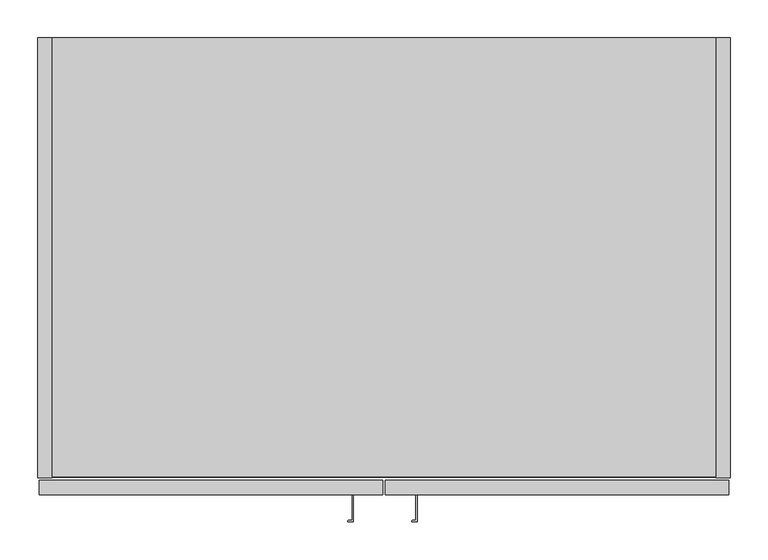
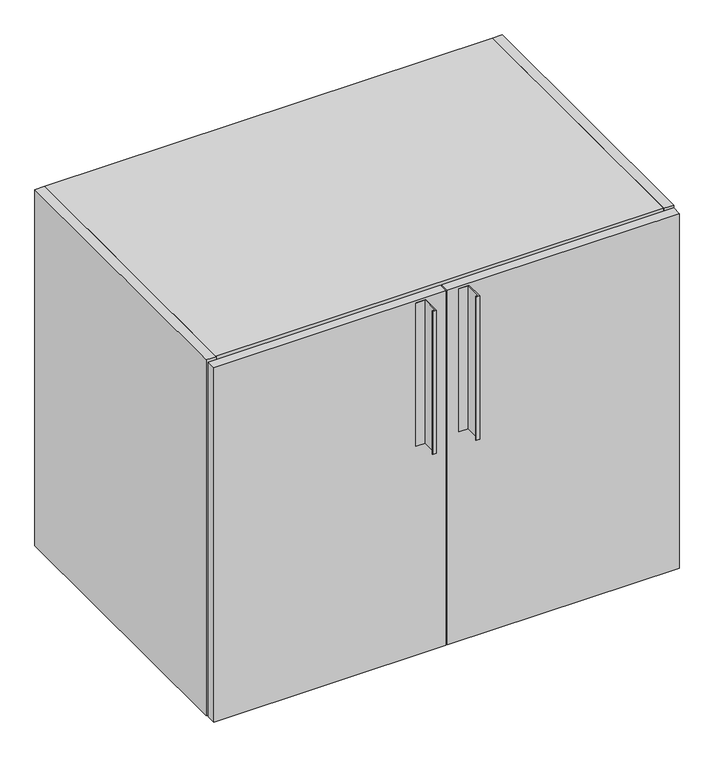
"""IFC4 building model written with IfcOpenShell, lengths in millimetres: furniture geometry."""

from ifc_helpers import new_model, si_unit, point, frame, frame_2d, origin, place, context, project, spatial, polyline, circle_curve, trimmed, segment, composite_curve, outline, extrude, source, transform, mapped, element, save


def furniture_fadac5ac(model_context):
    return source(origin(), model_context, "Body", "SweptSolid", [
        extrude(outline(composite_curve([segment(polyline([(416.4713631, -601.4135617), (416.4713631, -639.4135617), (410.4713631, -639.4135617)]), True, "CONTINUOUS"), segment(trimmed(circle_curve(frame_2d((410.4713631, -638.4135617)), 1.0), [point((410.4713631, -639.4135617))], [point((410.212544, -637.4476358))], False, "CARTESIAN"), True, "CONTINUOUS"), segment(polyline([(410.212544, -637.4476358), (414.9713631, -636.1725141), (414.9713631, -603.504), (396.9713631, -603.504), (396.9713631, -601.4135617), (416.4713631, -601.4135617)]), True, "CONTINUOUS")], self_intersect=False)), frame((0.0, 0.0, 534.6192), z_axis=(0.0, 0.0, 1.0), x_axis=(1.0, 0.0, 0.0)), (0.0, 0.0, 1.0), 296.0116),
        extrude(outline(composite_curve([segment(polyline([(500.9263631, -601.4135617), (500.9263631, -639.4135617), (494.9263631, -639.4135617)]), True, "CONTINUOUS"), segment(trimmed(circle_curve(frame_2d((494.9263631, -638.4135617)), 1.0), [point((494.9263631, -639.4135617))], [point((494.667544, -637.4476358))], False, "CARTESIAN"), True, "CONTINUOUS"), segment(polyline([(494.667544, -637.4476358), (499.4263631, -636.1725141), (499.4263631, -603.504), (481.4263631, -603.504), (481.4263631, -601.4135617), (500.9263631, -601.4135617)]), True, "CONTINUOUS")], self_intersect=False)), frame((0.0, 0.0, 534.6192), z_axis=(0.0, 0.0, 1.0), x_axis=(1.0, 0.0, 0.0)), (0.0, 0.0, 1.0), 296.0116),
        extrude(outline(polyline([(895.096, 0.0), (895.096, -19.304), (19.304, -19.304), (19.304, 0.0), (895.096, 0.0)])), frame((0.0, 0.0, 120.904), z_axis=(0.0, 0.0, 1.0), x_axis=(1.0, 0.0, 0.0)), (0.0, 0.0, 1.0), 697.992),
        extrude(outline(polyline([(895.096, -580.0344), (19.304, -580.0344), (19.304, 0.0), (895.096, 0.0), (895.096, -580.0344)])), frame((0.0, 0.0, 818.896), z_axis=(0.0, 0.0, 1.0), x_axis=(1.0, 0.0, 0.0)), (0.0, 0.0, 1.0), 19.304),
        extrude(outline(polyline([(19.304, 0.0), (19.304, -581.025), (0.0, -581.025), (0.0, 0.0), (19.304, 0.0)])), frame((0.0, 0.0, 101.6), z_axis=(0.0, 0.0, 1.0), x_axis=(1.0, 0.0, 0.0)), (0.0, 0.0, 1.0), 736.6),
        extrude(outline(polyline([(895.096, 0.0), (914.4, 0.0), (914.4, -581.025), (895.096, -581.025), (895.096, 0.0)])), frame((0.0, 0.0, 101.6), z_axis=(0.0, 0.0, 1.0), x_axis=(1.0, 0.0, 0.0)), (0.0, 0.0, 1.0), 736.6),
        extrude(outline(polyline([(895.096, 0.0), (895.096, -580.0344), (19.304, -580.0344), (19.304, 0.0), (895.096, 0.0)])), frame((0.0, 0.0, 101.6), z_axis=(0.0, 0.0, 1.0), x_axis=(1.0, 0.0, 0.0)), (0.0, 0.0, 1.0), 19.304),
        extrude(outline(polyline([(912.8125, -603.504), (458.7875, -603.504), (458.7875, -584.2), (912.8125, -584.2), (912.8125, -603.504)])), frame((0.0, 0.0, 101.6), z_axis=(0.0, 0.0, 1.0), x_axis=(1.0, 0.0, 0.0)), (0.0, 0.0, 1.0), 733.425),
        extrude(outline(polyline([(455.6125, -603.504), (1.5875, -603.504), (1.5875, -584.2), (455.6125, -584.2), (455.6125, -603.504)])), frame((0.0, 0.0, 101.6), z_axis=(0.0, 0.0, 1.0), x_axis=(1.0, 0.0, 0.0)), (0.0, 0.0, 1.0), 733.425),
    ])


if __name__ == "__main__":
    model = new_model("IFC4")
    model_context = context("Model", 3, world=origin())
    ifc_project = project(units=[si_unit("LENGTHUNIT", "METRE", prefix="MILLI")], contexts=[model_context])
    site = spatial("IfcSite", under=ifc_project)
    building = spatial("IfcBuilding", under=site)
    placement = place(None, origin())
    furniture_shape = furniture_fadac5ac(model_context)
    element("IfcFurniture", 1, at=placement, inside=building, context=model_context, shape_type="MappedRepresentation", body=[
        mapped(furniture_shape, transform((0.0, 0.0, 0.0), x_axis=(1.0, 0.0, 0.0), y_axis=(0.0, 1.0, 0.0), z_axis=(0.0, 0.0, 1.0))),
    ])
    save(model, "model.ifc")
